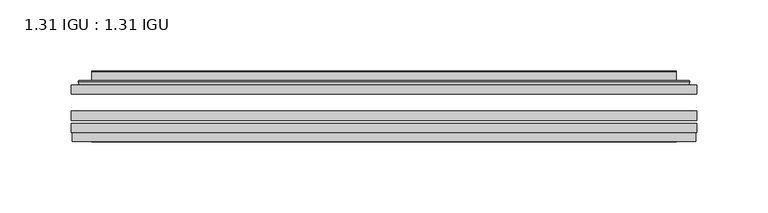
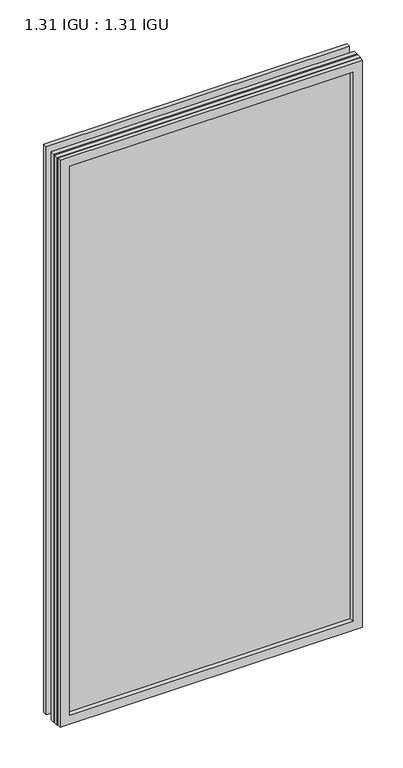
"""IFC4 building model written with IfcOpenShell, lengths in millimetres: plate geometry, 1.31 IGU : 1.31 IGU."""

from ifc_helpers import new_model, si_unit, frame, origin, place, context, project, spatial, polyline, ellipse_curve, outline, extrude, faceted_brep, source, transform, mapped, element, save
from ifc_brep_helpers import plane_surface, cylinder_surface, advanced_brep


def plate_1_31_igu_1_31_igu_c858a9f5(model_context):
    return source(origin(), model_context, "Body", "SolidModel", [
        extrude(outline(polyline([(219.089175, -63.59525), (219.089175, -69.94525), (-219.075, -69.94525), (-219.075, -63.59525), (219.089175, -63.59525)])), frame((0.0, 0.0, -14.2875), z_axis=(0.0, 0.0, 1.0), x_axis=(1.0, 0.0, 0.0)), (0.0, 0.0, 1.0), 866.7787979),
        extrude(outline(polyline([(-219.075, -78.58125), (-219.075, -72.230745), (219.089175, -72.230745), (219.089175, -78.58125), (-219.075, -78.58125)])), frame((0.0, 0.0, -14.2875), z_axis=(0.0, 0.0, 1.0), x_axis=(1.0, 0.0, 0.0)), (0.0, 0.0, 1.0), 866.7787979),
        extrude(outline(polyline([(219.089175, -45.25645), (219.089175, -51.60645), (-219.075, -51.60645), (-219.075, -45.25645), (219.089175, -45.25645)])), frame((0.0, 0.0, -14.2875), z_axis=(0.0, 0.0, 1.0), x_axis=(1.0, 0.0, 0.0)), (0.0, 0.0, 1.0), 866.7787979),
        faceted_brep([(-218.3748142, -84.93125, 851.7873142), (-218.3748142, -78.58125, 851.7873142), (-218.3748142, -78.58125, -13.5873142), (-218.3748142, -84.93125, -13.5873142), (218.3748142, -78.58125, -13.5873142), (218.3748142, -84.93125, -13.5873142), (218.3748142, -78.58125, 851.7873142), (218.3748142, -84.93125, 851.7873142), (-203.8897559, -78.58125, 0.8977441), (203.8897559, -78.58125, 0.8977441), (203.8897559, -78.58125, 837.3022559), (-203.8897559, -78.58125, 837.3022559), (-204.7821902, -84.93125, 838.1946902), (204.7821902, -84.93125, 838.1946902), (204.7821902, -84.93125, 0.0053098), (-204.7821902, -84.93125, 0.0053098)], [[[0, 1, 2, 3]], [[3, 2, 4, 5]], [[5, 4, 6, 7]], [[1, 6, 4, 2], [8, 9, 10, 11]], [[7, 6, 1, 0]], [[3, 5, 7, 0], [12, 13, 14, 15]], [[11, 12, 15, 8]], [[8, 15, 14, 9]], [[9, 14, 13, 10]], [[10, 13, 12, 11]]]),
        advanced_brep(
        [(-211.833719, -45.25645, 845.246219), (-214.1879244, -43.2667833, 847.6004244), (-214.1879244, -43.2667833, -9.4004244), (-211.833719, -45.25645, -7.046219), (-202.7593939, -41.416413, 836.1718939), (-197.8245621, -45.25645, 831.2370621), (-197.8245621, -45.25645, 6.9629379), (-202.7593939, -41.416413, 2.0281061), (-203.7914217, -36.0191819, 837.2039217), (-203.7914217, -36.0191819, 0.9960783), (-204.7820784, -35.6202069, 838.1945784), (-204.7820784, -35.6202069, 0.0054216), (-204.7820784, -42.08145, 838.1945784), (-204.7820784, -42.08145, 0.0054216), (-213.1861349, -42.08145, 846.5986349), (-213.1861349, -42.08145, -8.3986349), (214.1879244, -43.2667833, -9.4004244), (211.833719, -45.25645, -7.046219), (197.8245621, -45.25645, 6.9629379), (202.7593939, -41.416413, 2.0281061), (203.7914217, -36.0191819, 0.9960783), (204.7820784, -35.6202069, 0.0054216), (204.7820784, -42.08145, 0.0054216), (213.1861349, -42.08145, -8.3986349), (214.1879244, -43.2667833, 847.6004244), (211.833719, -45.25645, 845.246219), (197.8245621, -45.25645, 831.2370621), (202.7593939, -41.416413, 836.1718939), (203.7914217, -36.0191819, 837.2039217), (204.7820784, -35.6202069, 838.1945784), (204.7820784, -42.08145, 838.1945784), (213.1861349, -42.08145, 846.5986349)],
        [
            (0, 1, ellipse_curve(frame((-211.833719, -42.86885, 845.246219), z_axis=(-0.7071067811865475, 0.0, -0.7071067811865475), x_axis=(-0.7071067811865474, 0.0, 0.7071067811865476)), 3.3765763, 2.3876)),
            (1, 2),
            (2, 3, ellipse_curve(frame((-211.833719, -42.86885, -7.046219), z_axis=(-0.7071067811865475, 0.0, 0.7071067811865475), x_axis=(0.7071067811865474, 0.0, 0.7071067811865476)), 3.3765763, 2.3876)),
            (3, 0),
            (4, 5),
            (5, 6),
            (6, 7),
            (7, 4),
            (8, 4),
            (7, 9),
            (9, 8),
            (10, 8, ellipse_curve(frame((-204.4151219, -36.1384423, 837.8276219), z_axis=(-0.7071067811865475, 0.0, -0.7071067811865475), x_axis=(-0.7071067811865474, 0.0, 0.7071067811865476)), 0.8980256, 0.635)),
            (9, 11, ellipse_curve(frame((-204.4151219, -36.1384423, 0.3723781), z_axis=(-0.7071067811865475, 0.0, 0.7071067811865475), x_axis=(0.7071067811865474, 0.0, 0.7071067811865476)), 0.8980256, 0.635)),
            (11, 10),
            (12, 10),
            (11, 13),
            (13, 12),
            (1, 14, ellipse_curve(frame((-213.1861349, -43.09745, 846.5986349), z_axis=(-0.7071067811865475, 0.0, -0.7071067811865475), x_axis=(-0.7071067811865474, 0.0, 0.7071067811865476)), 1.436841, 1.016)),
            (14, 15),
            (15, 2, ellipse_curve(frame((-213.1861349, -43.09745, -8.3986349), z_axis=(-0.7071067811865475, 0.0, 0.7071067811865475), x_axis=(0.7071067811865474, 0.0, 0.7071067811865476)), 1.436841, 1.016)),
            (2, 16),
            (16, 17, ellipse_curve(frame((211.833719, -42.86885, -7.046219), z_axis=(-0.7071067811865475, 0.0, -0.7071067811865475), x_axis=(-0.7071067811865476, 0.0, 0.7071067811865474)), 3.3765763, 2.3876)),
            (17, 3),
            (6, 18),
            (18, 19),
            (19, 7),
            (19, 20),
            (20, 9),
            (20, 21, ellipse_curve(frame((204.4151219, -36.1384423, 0.3723781), z_axis=(-0.7071067811865475, 0.0, -0.7071067811865475), x_axis=(-0.7071067811865476, 0.0, 0.7071067811865474)), 0.8980256, 0.635)),
            (21, 11),
            (21, 22),
            (22, 13),
            (15, 23),
            (23, 16, ellipse_curve(frame((213.1861349, -43.09745, -8.3986349), z_axis=(-0.7071067811865475, 0.0, -0.7071067811865475), x_axis=(-0.7071067811865476, 0.0, 0.7071067811865474)), 1.436841, 1.016)),
            (16, 24),
            (24, 25, ellipse_curve(frame((211.833719, -42.86885, 845.246219), z_axis=(0.7071067811865475, 0.0, -0.7071067811865475), x_axis=(-0.7071067811865474, 0.0, -0.7071067811865476)), 3.3765763, 2.3876)),
            (25, 17),
            (18, 26),
            (26, 27),
            (27, 19),
            (27, 28),
            (28, 20),
            (28, 29, ellipse_curve(frame((204.4151219, -36.1384423, 837.8276219), z_axis=(0.7071067811865475, 0.0, -0.7071067811865475), x_axis=(-0.7071067811865474, 0.0, -0.7071067811865476)), 0.8980256, 0.635)),
            (29, 21),
            (29, 30),
            (30, 22),
            (23, 31),
            (31, 24, ellipse_curve(frame((213.1861349, -43.09745, 846.5986349), z_axis=(0.7071067811865475, 0.0, -0.7071067811865475), x_axis=(-0.7071067811865474, 0.0, -0.7071067811865476)), 1.436841, 1.016)),
            (24, 1),
            (0, 25),
            (5, 26),
            (4, 27),
            (8, 28),
            (10, 29),
            (12, 30),
            (14, 31),
        ],
        [
            cylinder_surface(frame((-211.833719, -42.86885, 869.95), z_axis=(0.0, 0.0, 1.0), x_axis=(-1.0, 0.0, 0.0)), 2.3876),
            plane_surface(frame((-197.8245621, -45.25645, 831.2370621), z_axis=(0.6141233906514794, 0.7892100234124821, 0.0), x_axis=(0.0, 0.0, -1.0))),
            plane_surface(frame((-202.7593939, -41.416413, 836.1718939), z_axis=(0.9822050625507729, 0.18781164793386076, 0.0), x_axis=(0.0, 0.0, -1.0))),
            cylinder_surface(frame((-204.4151219, -36.1384423, 869.95), z_axis=(0.0, 0.0, 1.0), x_axis=(-1.0, 0.0, 0.0)), 0.635),
            plane_surface(frame((-204.7820784, -35.6202069, 838.1945784), z_axis=(-1.0, 0.0, 0.0), x_axis=(0.0, 0.0, -1.0))),
            cylinder_surface(frame((-213.1861349, -43.09745, 869.95), z_axis=(0.0, 0.0, 1.0), x_axis=(-1.0, 0.0, 0.0)), 1.016),
            cylinder_surface(frame((-236.5375, -42.86885, -7.046219), z_axis=(-1.0, 0.0, 0.0), x_axis=(0.0, 0.0, -1.0)), 2.3876),
            plane_surface(frame((-197.8245621, -45.25645, 6.9629379), z_axis=(0.0, 0.7892100234124841, 0.6141233906514768), x_axis=(1.0, 0.0, 0.0))),
            plane_surface(frame((-202.7593939, -41.416413, 2.0281061), z_axis=(0.0, 0.18781164793386393, 0.9822050625507723), x_axis=(1.0, 0.0, 0.0))),
            cylinder_surface(frame((-236.5375, -36.1384423, 0.3723781), z_axis=(-1.0, 0.0, 0.0), x_axis=(0.0, 0.0, -1.0)), 0.635),
            plane_surface(frame((-204.7820784, -35.6202069, 0.0054216), z_axis=(0.0, 0.0, -1.0), x_axis=(1.0, 0.0, 0.0))),
            cylinder_surface(frame((-236.5375, -43.09745, -8.3986349), z_axis=(-1.0, 0.0, 0.0), x_axis=(0.0, 0.0, -1.0)), 1.016),
            cylinder_surface(frame((211.833719, -42.86885, -31.75), z_axis=(0.0, 0.0, -1.0), x_axis=(1.0, 0.0, 0.0)), 2.3876),
            plane_surface(frame((197.8245621, -45.25645, 6.9629379), z_axis=(-0.6141233906514743, 0.7892100234124861, 0.0), x_axis=(0.0, 0.0, 1.0))),
            plane_surface(frame((202.7593939, -41.416413, 2.0281061), z_axis=(-0.9822050625507718, 0.1878116479338671, 0.0), x_axis=(0.0, 0.0, 1.0))),
            cylinder_surface(frame((204.4151219, -36.1384423, -31.75), z_axis=(0.0, 0.0, -1.0), x_axis=(1.0, 0.0, 0.0)), 0.635),
            plane_surface(frame((204.7820784, -35.6202069, 0.0054216), z_axis=(1.0, 0.0, 0.0), x_axis=(0.0, 0.0, 1.0))),
            cylinder_surface(frame((213.1861349, -43.09745, -31.75), z_axis=(0.0, 0.0, -1.0), x_axis=(1.0, 0.0, 0.0)), 1.016),
            cylinder_surface(frame((236.5375, -42.86885, 845.246219), z_axis=(1.0, 0.0, 0.0), x_axis=(0.0, 0.0, 1.0)), 2.3876),
            plane_surface(frame((211.833719, -45.25645, 845.246219), z_axis=(0.0, -1.0, 0.0), x_axis=(-1.0, 0.0, 0.0))),
            plane_surface(frame((197.8245621, -45.25645, 831.2370621), z_axis=(0.0, 0.7892100234124841, -0.6141233906514768), x_axis=(-1.0, 0.0, 0.0))),
            plane_surface(frame((202.7593939, -41.416413, 836.1718939), z_axis=(0.0, 0.18781164793386393, -0.9822050625507723), x_axis=(-1.0, 0.0, 0.0))),
            cylinder_surface(frame((236.5375, -36.1384423, 837.8276219), z_axis=(1.0, 0.0, 0.0), x_axis=(0.0, 0.0, 1.0)), 0.635),
            plane_surface(frame((204.7820784, -35.6202069, 838.1945784), z_axis=(0.0, 0.0, 1.0), x_axis=(-1.0, 0.0, 0.0))),
            plane_surface(frame((204.7820784, -42.08145, 838.1945784), z_axis=(0.0, 1.0, 0.0), x_axis=(-1.0, 0.0, 0.0))),
            cylinder_surface(frame((236.5375, -43.09745, 846.5986349), z_axis=(1.0, 0.0, 0.0), x_axis=(0.0, 0.0, 1.0)), 1.016),
        ],
        [
            (0, [[1, 2, 3, 4]]),
            (1, [[5, 6, 7, 8]]),
            (2, [[9, -8, 10, 11]]),
            (3, [[12, -11, 13, 14]]),
            (4, [[15, -14, 16, 17]]),
            (5, [[18, 19, 20, -2]]),
            (6, [[-3, 21, 22, 23]]),
            (7, [[-7, 24, 25, 26]]),
            (8, [[-10, -26, 27, 28]]),
            (9, [[-13, -28, 29, 30]]),
            (10, [[-16, -30, 31, 32]]),
            (11, [[-20, 33, 34, -21]]),
            (12, [[-22, 35, 36, 37]]),
            (13, [[-25, 38, 39, 40]]),
            (14, [[-27, -40, 41, 42]]),
            (15, [[-29, -42, 43, 44]]),
            (16, [[-31, -44, 45, 46]]),
            (17, [[-34, 47, 48, -35]]),
            (18, [[-36, 49, -1, 50]]),
            (19, [[-23, -37, -50, -4], [51, -38, -24, -6]]),
            (20, [[-39, -51, -5, 52]]),
            (21, [[-41, -52, -9, 53]]),
            (22, [[-43, -53, -12, 54]]),
            (23, [[-45, -54, -15, 55]]),
            (24, [[56, -47, -33, -19], [-32, -46, -55, -17]]),
            (25, [[-48, -56, -18, -49]]),
        ],
    ),
    ])


if __name__ == "__main__":
    model = new_model("IFC4")
    model_context = context("Model", 3, world=origin())
    ifc_project = project(units=[si_unit("LENGTHUNIT", "METRE", prefix="MILLI")], contexts=[model_context])
    site = spatial("IfcSite", under=ifc_project)
    building = spatial("IfcBuilding", under=site)
    placement = place(None, origin())
    plate_1_31_igu_1_31_igu_shape = plate_1_31_igu_1_31_igu_c858a9f5(model_context)
    element("IfcPlate", 1, ObjectType="1.31 IGU : 1.31 IGU", at=placement, inside=building, context=model_context, shape_type="MappedRepresentation", body=[
        mapped(plate_1_31_igu_1_31_igu_shape, transform((0.0, 0.0, 0.0), x_axis=(1.0, 0.0, 0.0), y_axis=(0.0, 1.0, 0.0), z_axis=(0.0, 0.0, 1.0))),
    ])
    save(model, "model.ifc")
